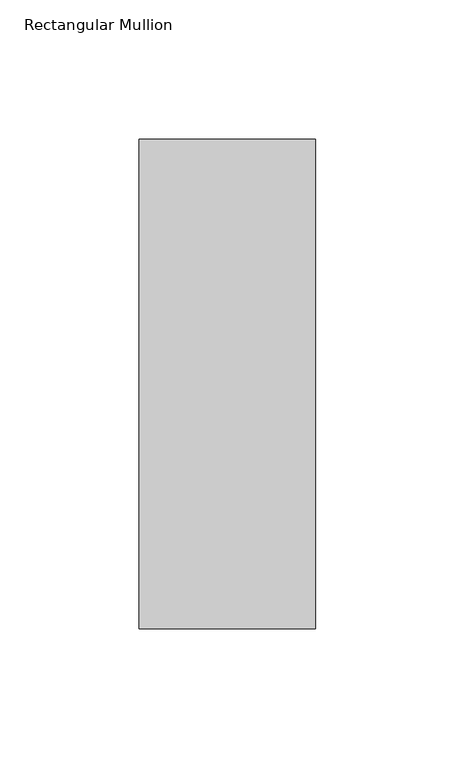
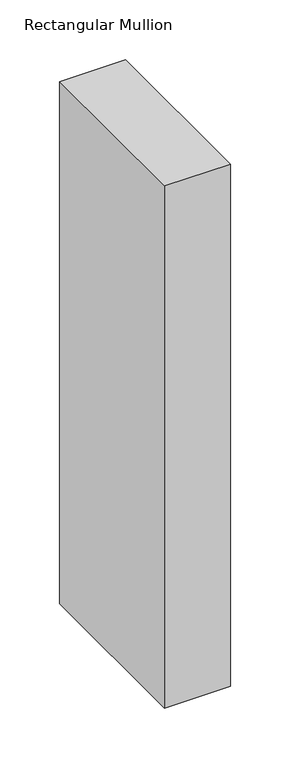
"""IFC4 building model written with IfcOpenShell, lengths in millimetres: member geometry, Rectangular Mullion."""

from ifc_helpers import new_model, si_unit, frame, origin, place, context, project, spatial, polyline, outline, extrude, source, transform, mapped, element, save


def rectangular_mullion_636551b0(model_context):
    return source(origin(), model_context, "Body", "SweptSolid", [
        extrude(outline(polyline([(-63.5, 222.5381313), (0.0, 222.5381313), (0.0, 46.7447302), (-63.5, 46.7447302), (-63.5, 222.5381313)])), frame((0.0, 0.0, -533.36825), z_axis=(0.0, 0.0, 1.0), x_axis=(1.0, 0.0, 0.0)), (0.0, 0.0, 1.0), 533.36825),
    ])


if __name__ == "__main__":
    model = new_model("IFC4")
    model_context = context("Model", 3, world=origin())
    ifc_project = project(units=[si_unit("LENGTHUNIT", "METRE", prefix="MILLI")], contexts=[model_context])
    site = spatial("IfcSite", under=ifc_project)
    building = spatial("IfcBuilding", under=site)
    placement = place(None, origin())
    rectangular_mullion_shape = rectangular_mullion_636551b0(model_context)
    element("IfcMember", 1, ObjectType="Rectangular Mullion", at=placement, inside=building, context=model_context, shape_type="MappedRepresentation", body=[
        mapped(rectangular_mullion_shape, transform((0.0, 0.0, 0.0), x_axis=(1.0, 0.0, 0.0), y_axis=(0.0, 1.0, 0.0), z_axis=(0.0, 0.0, 1.0))),
    ])
    save(model, "model.ifc")
